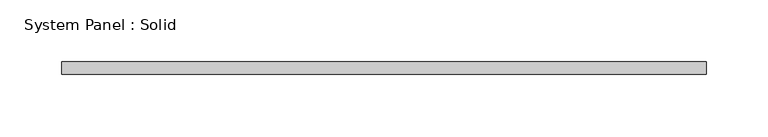
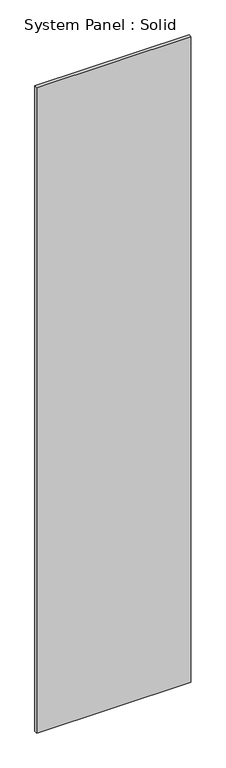
"""IFC4 building model written with IfcOpenShell, lengths in millimetres: plate geometry, System Panel : Solid."""

from ifc_helpers import new_model, si_unit, origin, origin_with_axes, place, context, project, spatial, polyline, outline, extrude, source, transform, mapped, element, save


def system_panel_solid_6d2aee1d(model_context):
    return source(origin(), model_context, "Body", "SweptSolid", [
        extrude(outline(polyline([(260.0, 95.0), (-260.0, 95.0), (-260.0, 105.0), (260.0, 105.0), (260.0, 95.0)])), origin_with_axes(), (0.0, 0.0, 1.0), 2300.0),
    ])


if __name__ == "__main__":
    model = new_model("IFC4")
    model_context = context("Model", 3, world=origin())
    ifc_project = project(units=[si_unit("LENGTHUNIT", "METRE", prefix="MILLI")], contexts=[model_context])
    site = spatial("IfcSite", under=ifc_project)
    building = spatial("IfcBuilding", under=site)
    placement = place(None, origin())
    system_panel_solid_shape = system_panel_solid_6d2aee1d(model_context)
    element("IfcPlate", 1, ObjectType="System Panel : Solid", at=placement, inside=building, context=model_context, shape_type="MappedRepresentation", body=[
        mapped(system_panel_solid_shape, transform((0.0, 0.0, 0.0), x_axis=(1.0, 0.0, 0.0), y_axis=(0.0, 1.0, 0.0), z_axis=(0.0, 0.0, 1.0))),
    ])
    save(model, "model.ifc")
